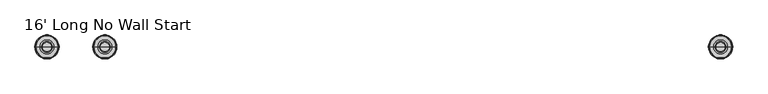
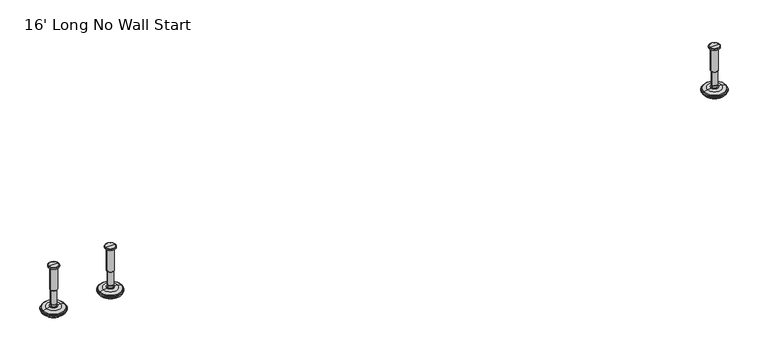
"""IFC4 building model written with IfcOpenShell, lengths in millimetres: furniture geometry, 16' Long No Wall Start."""

from ifc_helpers import new_model, si_unit, frame, origin, place, context, project, spatial, polyline, circle_curve, source, transform, mapped, element, save
from ifc_brep_helpers import plane_surface, cylinder_surface, revolved_surface, advanced_brep


def furniture_16_long_no_wall_start_1f5a7c0a(model_context):
    return source(origin(), model_context, "Body", "AdvancedBrep", [
        advanced_brep(
        [(1161.8635677, 0.0, 103.7082), (1170.8414891, 0.0, 103.7082), (1152.8856463, 0.0, 103.7082), (1147.7593278, 0.0, 2.1288943), (1175.9678076, 0.0, 2.1288943), (1161.8635677, 0.0, 2.1288943), (1142.881296, 0.0, 3.5276474), (1180.8458394, 0.0, 3.5276474), (1139.119381, 0.0, 6.8476056), (1184.6077544, 0.0, 6.8476056), (1138.0019314, 0.0, 9.6133905), (1185.725204, 0.0, 9.6133905), (1138.0019314, 0.0, 10.4147967), (1185.725204, 0.0, 10.4147967), (1138.8443346, 0.0, 11.9551348), (1184.8828008, 0.0, 11.9551348), (1139.9444772, 0.0, 12.9457077), (1183.7826582, 0.0, 12.9457077), (1147.2481724, 0.0, 14.8420946), (1176.478963, 0.0, 14.8420946), (1154.6663238, 0.0, 15.4910987), (1169.0608116, 0.0, 15.4910987), (1154.6663238, 0.0, 16.2854758), (1169.0608116, 0.0, 16.2854758), (1157.0631166, 0.0, 16.2854758), (1166.6640188, 0.0, 16.2854758), (1157.0631166, 0.0, 20.9180403), (1166.6640188, 0.0, 20.9180403), (1156.047264, 0.0, 21.9338929), (1167.6798714, 0.0, 21.9338929), (1156.047264, 0.0, 50.4138352), (1167.6798714, 0.0, 50.4138352), (1154.8237361, 0.0, 52.0375116), (1168.9033993, 0.0, 52.0375116), (1154.8237361, 0.0, 99.435423), (1168.9033993, 0.0, 99.435423), (1153.9426317, 0.0, 99.7561188), (1169.7845037, 0.0, 99.7561188), (1152.8936428, 0.0, 99.7561188), (1170.8334926, 0.0, 99.7561188), (1151.2286129, 0.0, 100.7174242), (1172.4985225, 0.0, 100.7174242), (1151.2286129, 0.0, 102.7125539), (1172.4985225, 0.0, 102.7125539)],
        [
            (0, 1),
            (1, 2, circle_curve(frame((1161.8635677, 0.0, 103.7082), z_axis=(0.0, 0.0, 1.0), x_axis=(1.0, 0.0, 0.0)), 8.9779214)),
            (2, 0),
            (2, 1, circle_curve(frame((1161.8635677, 0.0, 103.7082), z_axis=(0.0, 0.0, 1.0), x_axis=(1.0, 0.0, 0.0)), 8.9779214)),
            (3, 4, circle_curve(frame((1161.8635677, 0.0, 2.1288943), z_axis=(0.0, 0.0, -1.0), x_axis=(1.0, 0.0, 0.0)), 14.1042399)),
            (4, 5),
            (5, 3),
            (4, 3, circle_curve(frame((1161.8635677, 0.0, 2.1288943), z_axis=(0.0, 0.0, -1.0), x_axis=(1.0, 0.0, 0.0)), 14.1042399)),
            (6, 7, circle_curve(frame((1161.8635677, 0.0, 3.5276474), z_axis=(0.0, 0.0, -1.0), x_axis=(1.0, 0.0, 0.0)), 18.9822717)),
            (7, 4),
            (3, 6),
            (7, 6, circle_curve(frame((1161.8635677, 0.0, 3.5276474), z_axis=(0.0, 0.0, -1.0), x_axis=(1.0, 0.0, 0.0)), 18.9822717)),
            (8, 9, circle_curve(frame((1161.8635677, 0.0, 6.8476056), z_axis=(0.0, 0.0, -1.0), x_axis=(1.0, 0.0, 0.0)), 22.7441867)),
            (9, 7),
            (6, 8),
            (9, 8, circle_curve(frame((1161.8635677, 0.0, 6.8476056), z_axis=(0.0, 0.0, -1.0), x_axis=(1.0, 0.0, 0.0)), 22.7441867)),
            (10, 11, circle_curve(frame((1161.8635677, 0.0, 9.6133905), z_axis=(0.0, 0.0, -1.0), x_axis=(1.0, 0.0, 0.0)), 23.8616363)),
            (11, 9),
            (8, 10),
            (11, 10, circle_curve(frame((1161.8635677, 0.0, 9.6133905), z_axis=(0.0, 0.0, -1.0), x_axis=(1.0, 0.0, 0.0)), 23.8616363)),
            (12, 13, circle_curve(frame((1161.8635677, 0.0, 10.4147967), z_axis=(0.0, 0.0, -1.0), x_axis=(1.0, 0.0, 0.0)), 23.8616363)),
            (13, 11),
            (10, 12),
            (13, 12, circle_curve(frame((1161.8635677, 0.0, 10.4147967), z_axis=(0.0, 0.0, -1.0), x_axis=(1.0, 0.0, 0.0)), 23.8616363)),
            (14, 15, circle_curve(frame((1161.8635677, 0.0, 11.9551348), z_axis=(0.0, 0.0, -1.0), x_axis=(1.0, 0.0, 0.0)), 23.0192331)),
            (15, 13),
            (12, 14),
            (15, 14, circle_curve(frame((1161.8635677, 0.0, 11.9551348), z_axis=(0.0, 0.0, -1.0), x_axis=(1.0, 0.0, 0.0)), 23.0192331)),
            (16, 17, circle_curve(frame((1161.8635677, 0.0, 12.9457077), z_axis=(0.0, 0.0, -1.0), x_axis=(1.0, 0.0, 0.0)), 21.9190905)),
            (17, 15),
            (14, 16),
            (17, 16, circle_curve(frame((1161.8635677, 0.0, 12.9457077), z_axis=(0.0, 0.0, -1.0), x_axis=(1.0, 0.0, 0.0)), 21.9190905)),
            (18, 19, circle_curve(frame((1161.8635677, 0.0, 14.8420946), z_axis=(0.0, 0.0, -1.0), x_axis=(1.0, 0.0, 0.0)), 14.6153953)),
            (19, 17),
            (16, 18),
            (19, 18, circle_curve(frame((1161.8635677, 0.0, 14.8420946), z_axis=(0.0, 0.0, -1.0), x_axis=(1.0, 0.0, 0.0)), 14.6153953)),
            (20, 21, circle_curve(frame((1161.8635677, 0.0, 15.4910987), z_axis=(0.0, 0.0, -1.0), x_axis=(1.0, 0.0, 0.0)), 7.1972439)),
            (21, 19),
            (18, 20),
            (21, 20, circle_curve(frame((1161.8635677, 0.0, 15.4910987), z_axis=(0.0, 0.0, -1.0), x_axis=(1.0, 0.0, 0.0)), 7.1972439)),
            (22, 23, circle_curve(frame((1161.8635677, 0.0, 16.2854758), z_axis=(0.0, 0.0, -1.0), x_axis=(1.0, 0.0, 0.0)), 7.1972439)),
            (23, 21),
            (20, 22),
            (23, 22, circle_curve(frame((1161.8635677, 0.0, 16.2854758), z_axis=(0.0, 0.0, -1.0), x_axis=(1.0, 0.0, 0.0)), 7.1972439)),
            (24, 25, circle_curve(frame((1161.8635677, 0.0, 16.2854758), z_axis=(0.0, 0.0, -1.0), x_axis=(1.0, 0.0, 0.0)), 4.8004511)),
            (25, 23),
            (22, 24),
            (25, 24, circle_curve(frame((1161.8635677, 0.0, 16.2854758), z_axis=(0.0, 0.0, -1.0), x_axis=(1.0, 0.0, 0.0)), 4.8004511)),
            (26, 27, circle_curve(frame((1161.8635677, 0.0, 20.9180403), z_axis=(0.0, 0.0, -1.0), x_axis=(1.0, 0.0, 0.0)), 4.8004511)),
            (27, 25),
            (24, 26),
            (27, 26, circle_curve(frame((1161.8635677, 0.0, 20.9180403), z_axis=(0.0, 0.0, -1.0), x_axis=(1.0, 0.0, 0.0)), 4.8004511)),
            (28, 29, circle_curve(frame((1161.8635677, 0.0, 21.9338929), z_axis=(0.0, 0.0, -1.0), x_axis=(1.0, 0.0, 0.0)), 5.8163037)),
            (29, 27),
            (26, 28),
            (29, 28, circle_curve(frame((1161.8635677, 0.0, 21.9338929), z_axis=(0.0, 0.0, -1.0), x_axis=(1.0, 0.0, 0.0)), 5.8163037)),
            (30, 31, circle_curve(frame((1161.8635677, 0.0, 50.4138352), z_axis=(0.0, 0.0, -1.0), x_axis=(1.0, 0.0, 0.0)), 5.8163037)),
            (31, 29),
            (28, 30),
            (31, 30, circle_curve(frame((1161.8635677, 0.0, 50.4138352), z_axis=(0.0, 0.0, -1.0), x_axis=(1.0, 0.0, 0.0)), 5.8163037)),
            (32, 33, circle_curve(frame((1161.8635677, 0.0, 52.0375116), z_axis=(0.0, 0.0, -1.0), x_axis=(1.0, 0.0, 0.0)), 7.0398316)),
            (33, 31),
            (30, 32),
            (33, 32, circle_curve(frame((1161.8635677, 0.0, 52.0375116), z_axis=(0.0, 0.0, -1.0), x_axis=(1.0, 0.0, 0.0)), 7.0398316)),
            (34, 35, circle_curve(frame((1161.8635677, 0.0, 99.435423), z_axis=(0.0, 0.0, -1.0), x_axis=(1.0, 0.0, 0.0)), 7.0398316)),
            (35, 33),
            (32, 34),
            (35, 34, circle_curve(frame((1161.8635677, 0.0, 99.435423), z_axis=(0.0, 0.0, -1.0), x_axis=(1.0, 0.0, 0.0)), 7.0398316)),
            (36, 37, circle_curve(frame((1161.8635677, 0.0, 99.7561188), z_axis=(0.0, 0.0, -1.0), x_axis=(1.0, 0.0, 0.0)), 7.920936)),
            (37, 35),
            (34, 36),
            (37, 36, circle_curve(frame((1161.8635677, 0.0, 99.7561188), z_axis=(0.0, 0.0, -1.0), x_axis=(1.0, 0.0, 0.0)), 7.920936)),
            (38, 39, circle_curve(frame((1161.8635677, 0.0, 99.7561188), z_axis=(0.0, 0.0, -1.0), x_axis=(1.0, 0.0, 0.0)), 8.9699249)),
            (39, 37),
            (36, 38),
            (39, 38, circle_curve(frame((1161.8635677, 0.0, 99.7561188), z_axis=(0.0, 0.0, -1.0), x_axis=(1.0, 0.0, 0.0)), 8.9699249)),
            (40, 41, circle_curve(frame((1161.8635677, 0.0, 100.7174242), z_axis=(0.0, 0.0, -1.0), x_axis=(1.0, 0.0, 0.0)), 10.6349548)),
            (41, 39),
            (38, 40),
            (41, 40, circle_curve(frame((1161.8635677, 0.0, 100.7174242), z_axis=(0.0, 0.0, -1.0), x_axis=(1.0, 0.0, 0.0)), 10.6349548)),
            (42, 43, circle_curve(frame((1161.8635677, 0.0, 102.7125539), z_axis=(0.0, 0.0, -1.0), x_axis=(1.0, 0.0, 0.0)), 10.6349548)),
            (43, 41),
            (40, 42),
            (43, 42, circle_curve(frame((1161.8635677, 0.0, 102.7125539), z_axis=(0.0, 0.0, -1.0), x_axis=(1.0, 0.0, 0.0)), 10.6349548)),
            (1, 43),
            (42, 2),
        ],
        [
            plane_surface(frame((1161.8635677, 0.0, 103.7082), z_axis=(0.0, 0.0, 1.0), x_axis=(1.0, 0.0, 0.0))),
            plane_surface(frame((1161.8635677, 0.0, 2.1288943), z_axis=(0.0, 0.0, -1.0), x_axis=(1.0, 0.0, 0.0))),
            revolved_surface(polyline([(1175.9678076, 0.0, 2.1288943), (1180.8458394, 0.0, 3.5276474)]), (1161.8635677, 0.0, 103.7082), (0.0, 0.0, 1.0)),
            revolved_surface(polyline([(1180.8458394, 0.0, 3.5276474), (1184.6077544, 0.0, 6.8476056)]), (1161.8635677, 0.0, 103.7082), (0.0, 0.0, 1.0)),
            revolved_surface(polyline([(1184.6077544, 0.0, 6.8476056), (1185.725204, 0.0, 9.6133905)]), (1161.8635677, 0.0, 103.7082), (0.0, 0.0, 1.0)),
            cylinder_surface(frame((1161.8635677, 0.0, 103.7082), z_axis=(0.0, 0.0, 1.0), x_axis=(1.0, 0.0, 0.0)), 23.8616363),
            revolved_surface(polyline([(1185.725204, 0.0, 10.4147967), (1184.8828008, 0.0, 11.9551348)]), (1161.8635677, 0.0, 103.7082), (0.0, 0.0, 1.0)),
            revolved_surface(polyline([(1184.8828008, 0.0, 11.9551348), (1183.7826582, 0.0, 12.9457077)]), (1161.8635677, 0.0, 103.7082), (0.0, 0.0, 1.0)),
            revolved_surface(polyline([(1183.7826582, 0.0, 12.9457077), (1176.478963, 0.0, 14.8420946)]), (1161.8635677, 0.0, 103.7082), (0.0, 0.0, 1.0)),
            revolved_surface(polyline([(1176.478963, 0.0, 14.8420946), (1169.0608116, 0.0, 15.4910987)]), (1161.8635677, 0.0, 103.7082), (0.0, 0.0, 1.0)),
            cylinder_surface(frame((1161.8635677, 0.0, 103.7082), z_axis=(0.0, 0.0, 1.0), x_axis=(1.0, 0.0, 0.0)), 7.1972439),
            plane_surface(frame((1161.8635677, 0.0, 16.2854758), z_axis=(0.0, 0.0, 1.0), x_axis=(1.0, 0.0, 0.0))),
            cylinder_surface(frame((1161.8635677, 0.0, 103.7082), z_axis=(0.0, 0.0, 1.0), x_axis=(1.0, 0.0, 0.0)), 4.8004511),
            revolved_surface(polyline([(1166.6640188, 0.0, 20.9180403), (1167.6798714, 0.0, 21.9338929)]), (1161.8635677, 0.0, 103.7082), (0.0, 0.0, 1.0)),
            cylinder_surface(frame((1161.8635677, 0.0, 103.7082), z_axis=(0.0, 0.0, 1.0), x_axis=(1.0, 0.0, 0.0)), 5.8163037),
            revolved_surface(polyline([(1167.6798714, 0.0, 50.4138352), (1168.9033993, 0.0, 52.0375116)]), (1161.8635677, 0.0, 103.7082), (0.0, 0.0, 1.0)),
            cylinder_surface(frame((1161.8635677, 0.0, 103.7082), z_axis=(0.0, 0.0, 1.0), x_axis=(1.0, 0.0, 0.0)), 7.0398316),
            revolved_surface(polyline([(1168.9033993, 0.0, 99.435423), (1169.7845037, 0.0, 99.7561188)]), (1161.8635677, 0.0, 103.7082), (0.0, 0.0, 1.0)),
            plane_surface(frame((1161.8635677, 0.0, 99.7561188), z_axis=(0.0, 0.0, -1.0), x_axis=(1.0, 0.0, 0.0))),
            revolved_surface(polyline([(1170.8334926, 0.0, 99.7561188), (1172.4985225, 0.0, 100.7174242)]), (1161.8635677, 0.0, 103.7082), (0.0, 0.0, 1.0)),
            cylinder_surface(frame((1161.8635677, 0.0, 103.7082), z_axis=(0.0, 0.0, 1.0), x_axis=(1.0, 0.0, 0.0)), 10.6349548),
            revolved_surface(polyline([(1172.4985225, 0.0, 102.7125539), (1170.8414891, 0.0, 103.7082)]), (1161.8635677, 0.0, 103.7082), (0.0, 0.0, 1.0)),
        ],
        [
            (0, [[1, 2, 3]]),
            (0, [[-3, 4, -1]]),
            (1, [[5, 6, 7]]),
            (1, [[8, -7, -6]]),
            (2, [[9, 10, -5, 11]]),
            (2, [[12, -11, -8, -10]]),
            (3, [[13, 14, -9, 15]]),
            (3, [[16, -15, -12, -14]]),
            (4, [[17, 18, -13, 19]]),
            (4, [[20, -19, -16, -18]]),
            (5, [[21, 22, -17, 23]]),
            (5, [[24, -23, -20, -22]]),
            (6, [[25, 26, -21, 27]]),
            (6, [[28, -27, -24, -26]]),
            (7, [[29, 30, -25, 31]]),
            (7, [[32, -31, -28, -30]]),
            (8, [[33, 34, -29, 35]]),
            (8, [[36, -35, -32, -34]]),
            (9, [[37, 38, -33, 39]]),
            (9, [[40, -39, -36, -38]]),
            (10, [[41, 42, -37, 43]]),
            (10, [[44, -43, -40, -42]]),
            (11, [[45, 46, -41, 47]]),
            (11, [[48, -47, -44, -46]]),
            (12, [[49, 50, -45, 51]]),
            (12, [[52, -51, -48, -50]]),
            (13, [[53, 54, -49, 55]]),
            (13, [[56, -55, -52, -54]]),
            (14, [[57, 58, -53, 59]]),
            (14, [[60, -59, -56, -58]]),
            (15, [[61, 62, -57, 63]]),
            (15, [[64, -63, -60, -62]]),
            (16, [[65, 66, -61, 67]]),
            (16, [[68, -67, -64, -66]]),
            (17, [[69, 70, -65, 71]]),
            (17, [[72, -71, -68, -70]]),
            (18, [[73, 74, -69, 75]]),
            (18, [[76, -75, -72, -74]]),
            (19, [[77, 78, -73, 79]]),
            (19, [[80, -79, -76, -78]]),
            (20, [[81, 82, -77, 83]]),
            (20, [[84, -83, -80, -82]]),
            (21, [[-2, 85, -81, 86]]),
            (21, [[-4, -86, -84, -85]]),
        ],
    ),
        advanced_brep(
        [(1276.5364323, 0.0, 103.7082), (1285.5143537, 0.0, 103.7082), (1267.5585109, 0.0, 103.7082), (1290.6406722, 0.0, 2.1288943), (1276.5364323, 0.0, 2.1288943), (1262.4321924, 0.0, 2.1288943), (1295.518704, 0.0, 3.5276474), (1257.5541606, 0.0, 3.5276474), (1299.280619, 0.0, 6.8476056), (1253.7922456, 0.0, 6.8476056), (1300.3980686, 0.0, 9.6133905), (1252.674796, 0.0, 9.6133905), (1300.3980686, 0.0, 10.4147967), (1252.674796, 0.0, 10.4147967), (1299.5556654, 0.0, 11.9551348), (1253.5171992, 0.0, 11.9551348), (1298.4555228, 0.0, 12.9457077), (1254.6173418, 0.0, 12.9457077), (1291.1518276, 0.0, 14.8420946), (1261.921037, 0.0, 14.8420946), (1283.7336762, 0.0, 15.4910987), (1269.3391884, 0.0, 15.4910987), (1283.7336762, 0.0, 16.2854758), (1269.3391884, 0.0, 16.2854758), (1281.3368834, 0.0, 16.2854758), (1271.7359812, 0.0, 16.2854758), (1281.3368834, 0.0, 20.9180403), (1271.7359812, 0.0, 20.9180403), (1282.352736, 0.0, 21.9338929), (1270.7201286, 0.0, 21.9338929), (1282.352736, 0.0, 50.4138352), (1270.7201286, 0.0, 50.4138352), (1283.5762639, 0.0, 52.0375116), (1269.4966007, 0.0, 52.0375116), (1283.5762639, 0.0, 99.435423), (1269.4966007, 0.0, 99.435423), (1284.4573683, 0.0, 99.7561188), (1268.6154963, 0.0, 99.7561188), (1285.5063572, 0.0, 99.7561188), (1267.5665074, 0.0, 99.7561188), (1287.1713871, 0.0, 100.7174242), (1265.9014775, 0.0, 100.7174242), (1287.1713871, 0.0, 102.7125539), (1265.9014775, 0.0, 102.7125539)],
        [
            (0, 1),
            (1, 2, circle_curve(frame((1276.5364323, 0.0, 103.7082), z_axis=(0.0, 0.0, 1.0), x_axis=(-1.0, 0.0, 0.0)), 8.9779214)),
            (2, 0),
            (2, 1, circle_curve(frame((1276.5364323, 0.0, 103.7082), z_axis=(0.0, 0.0, 1.0), x_axis=(-1.0, 0.0, 0.0)), 8.9779214)),
            (3, 4),
            (4, 5),
            (5, 3, circle_curve(frame((1276.5364323, 0.0, 2.1288943), z_axis=(0.0, 0.0, -1.0), x_axis=(-1.0, 0.0, 0.0)), 14.1042399)),
            (3, 5, circle_curve(frame((1276.5364323, 0.0, 2.1288943), z_axis=(0.0, 0.0, -1.0), x_axis=(-1.0, 0.0, 0.0)), 14.1042399)),
            (6, 3),
            (5, 7),
            (7, 6, circle_curve(frame((1276.5364323, 0.0, 3.5276474), z_axis=(0.0, 0.0, -1.0), x_axis=(-1.0, 0.0, 0.0)), 18.9822717)),
            (6, 7, circle_curve(frame((1276.5364323, 0.0, 3.5276474), z_axis=(0.0, 0.0, -1.0), x_axis=(-1.0, 0.0, 0.0)), 18.9822717)),
            (8, 6),
            (7, 9),
            (9, 8, circle_curve(frame((1276.5364323, 0.0, 6.8476056), z_axis=(0.0, 0.0, -1.0), x_axis=(-1.0, 0.0, 0.0)), 22.7441867)),
            (8, 9, circle_curve(frame((1276.5364323, 0.0, 6.8476056), z_axis=(0.0, 0.0, -1.0), x_axis=(-1.0, 0.0, 0.0)), 22.7441867)),
            (10, 8),
            (9, 11),
            (11, 10, circle_curve(frame((1276.5364323, 0.0, 9.6133905), z_axis=(0.0, 0.0, -1.0), x_axis=(-1.0, 0.0, 0.0)), 23.8616363)),
            (10, 11, circle_curve(frame((1276.5364323, 0.0, 9.6133905), z_axis=(0.0, 0.0, -1.0), x_axis=(-1.0, 0.0, 0.0)), 23.8616363)),
            (12, 10),
            (11, 13),
            (13, 12, circle_curve(frame((1276.5364323, 0.0, 10.4147967), z_axis=(0.0, 0.0, -1.0), x_axis=(-1.0, 0.0, 0.0)), 23.8616363)),
            (12, 13, circle_curve(frame((1276.5364323, 0.0, 10.4147967), z_axis=(0.0, 0.0, -1.0), x_axis=(-1.0, 0.0, 0.0)), 23.8616363)),
            (14, 12),
            (13, 15),
            (15, 14, circle_curve(frame((1276.5364323, 0.0, 11.9551348), z_axis=(0.0, 0.0, -1.0), x_axis=(-1.0, 0.0, 0.0)), 23.0192331)),
            (14, 15, circle_curve(frame((1276.5364323, 0.0, 11.9551348), z_axis=(0.0, 0.0, -1.0), x_axis=(-1.0, 0.0, 0.0)), 23.0192331)),
            (16, 14),
            (15, 17),
            (17, 16, circle_curve(frame((1276.5364323, 0.0, 12.9457077), z_axis=(0.0, 0.0, -1.0), x_axis=(-1.0, 0.0, 0.0)), 21.9190905)),
            (16, 17, circle_curve(frame((1276.5364323, 0.0, 12.9457077), z_axis=(0.0, 0.0, -1.0), x_axis=(-1.0, 0.0, 0.0)), 21.9190905)),
            (18, 16),
            (17, 19),
            (19, 18, circle_curve(frame((1276.5364323, 0.0, 14.8420946), z_axis=(0.0, 0.0, -1.0), x_axis=(-1.0, 0.0, 0.0)), 14.6153953)),
            (18, 19, circle_curve(frame((1276.5364323, 0.0, 14.8420946), z_axis=(0.0, 0.0, -1.0), x_axis=(-1.0, 0.0, 0.0)), 14.6153953)),
            (20, 18),
            (19, 21),
            (21, 20, circle_curve(frame((1276.5364323, 0.0, 15.4910987), z_axis=(0.0, 0.0, -1.0), x_axis=(-1.0, 0.0, 0.0)), 7.1972439)),
            (20, 21, circle_curve(frame((1276.5364323, 0.0, 15.4910987), z_axis=(0.0, 0.0, -1.0), x_axis=(-1.0, 0.0, 0.0)), 7.1972439)),
            (22, 20),
            (21, 23),
            (23, 22, circle_curve(frame((1276.5364323, 0.0, 16.2854758), z_axis=(0.0, 0.0, -1.0), x_axis=(-1.0, 0.0, 0.0)), 7.1972439)),
            (22, 23, circle_curve(frame((1276.5364323, 0.0, 16.2854758), z_axis=(0.0, 0.0, -1.0), x_axis=(-1.0, 0.0, 0.0)), 7.1972439)),
            (24, 22),
            (23, 25),
            (25, 24, circle_curve(frame((1276.5364323, 0.0, 16.2854758), z_axis=(0.0, 0.0, -1.0), x_axis=(-1.0, 0.0, 0.0)), 4.8004511)),
            (24, 25, circle_curve(frame((1276.5364323, 0.0, 16.2854758), z_axis=(0.0, 0.0, -1.0), x_axis=(-1.0, 0.0, 0.0)), 4.8004511)),
            (26, 24),
            (25, 27),
            (27, 26, circle_curve(frame((1276.5364323, 0.0, 20.9180403), z_axis=(0.0, 0.0, -1.0), x_axis=(-1.0, 0.0, 0.0)), 4.8004511)),
            (26, 27, circle_curve(frame((1276.5364323, 0.0, 20.9180403), z_axis=(0.0, 0.0, -1.0), x_axis=(-1.0, 0.0, 0.0)), 4.8004511)),
            (28, 26),
            (27, 29),
            (29, 28, circle_curve(frame((1276.5364323, 0.0, 21.9338929), z_axis=(0.0, 0.0, -1.0), x_axis=(-1.0, 0.0, 0.0)), 5.8163037)),
            (28, 29, circle_curve(frame((1276.5364323, 0.0, 21.9338929), z_axis=(0.0, 0.0, -1.0), x_axis=(-1.0, 0.0, 0.0)), 5.8163037)),
            (30, 28),
            (29, 31),
            (31, 30, circle_curve(frame((1276.5364323, 0.0, 50.4138352), z_axis=(0.0, 0.0, -1.0), x_axis=(-1.0, 0.0, 0.0)), 5.8163037)),
            (30, 31, circle_curve(frame((1276.5364323, 0.0, 50.4138352), z_axis=(0.0, 0.0, -1.0), x_axis=(-1.0, 0.0, 0.0)), 5.8163037)),
            (32, 30),
            (31, 33),
            (33, 32, circle_curve(frame((1276.5364323, 0.0, 52.0375116), z_axis=(0.0, 0.0, -1.0), x_axis=(-1.0, 0.0, 0.0)), 7.0398316)),
            (32, 33, circle_curve(frame((1276.5364323, 0.0, 52.0375116), z_axis=(0.0, 0.0, -1.0), x_axis=(-1.0, 0.0, 0.0)), 7.0398316)),
            (34, 32),
            (33, 35),
            (35, 34, circle_curve(frame((1276.5364323, 0.0, 99.435423), z_axis=(0.0, 0.0, -1.0), x_axis=(-1.0, 0.0, 0.0)), 7.0398316)),
            (34, 35, circle_curve(frame((1276.5364323, 0.0, 99.435423), z_axis=(0.0, 0.0, -1.0), x_axis=(-1.0, 0.0, 0.0)), 7.0398316)),
            (36, 34),
            (35, 37),
            (37, 36, circle_curve(frame((1276.5364323, 0.0, 99.7561188), z_axis=(0.0, 0.0, -1.0), x_axis=(-1.0, 0.0, 0.0)), 7.920936)),
            (36, 37, circle_curve(frame((1276.5364323, 0.0, 99.7561188), z_axis=(0.0, 0.0, -1.0), x_axis=(-1.0, 0.0, 0.0)), 7.920936)),
            (38, 36),
            (37, 39),
            (39, 38, circle_curve(frame((1276.5364323, 0.0, 99.7561188), z_axis=(0.0, 0.0, -1.0), x_axis=(-1.0, 0.0, 0.0)), 8.9699249)),
            (38, 39, circle_curve(frame((1276.5364323, 0.0, 99.7561188), z_axis=(0.0, 0.0, -1.0), x_axis=(-1.0, 0.0, 0.0)), 8.9699249)),
            (40, 38),
            (39, 41),
            (41, 40, circle_curve(frame((1276.5364323, 0.0, 100.7174242), z_axis=(0.0, 0.0, -1.0), x_axis=(-1.0, 0.0, 0.0)), 10.6349548)),
            (40, 41, circle_curve(frame((1276.5364323, 0.0, 100.7174242), z_axis=(0.0, 0.0, -1.0), x_axis=(-1.0, 0.0, 0.0)), 10.6349548)),
            (42, 40),
            (41, 43),
            (43, 42, circle_curve(frame((1276.5364323, 0.0, 102.7125539), z_axis=(0.0, 0.0, -1.0), x_axis=(-1.0, 0.0, 0.0)), 10.6349548)),
            (42, 43, circle_curve(frame((1276.5364323, 0.0, 102.7125539), z_axis=(0.0, 0.0, -1.0), x_axis=(-1.0, 0.0, 0.0)), 10.6349548)),
            (1, 42),
            (43, 2),
        ],
        [
            plane_surface(frame((1276.5364323, 0.0, 103.7082), z_axis=(0.0, 0.0, 1.0), x_axis=(-1.0, 0.0, 0.0))),
            plane_surface(frame((1276.5364323, 0.0, 2.1288943), z_axis=(0.0, 0.0, -1.0), x_axis=(-1.0, 0.0, 0.0))),
            revolved_surface(polyline([(1262.4321924, 0.0, 2.1288943), (1257.5541606, 0.0, 3.5276474)]), (1276.5364323, 0.0, 103.7082), (0.0, 0.0, 1.0)),
            revolved_surface(polyline([(1257.5541606, 0.0, 3.5276474), (1253.7922456, 0.0, 6.8476056)]), (1276.5364323, 0.0, 103.7082), (0.0, 0.0, 1.0)),
            revolved_surface(polyline([(1253.7922456, 0.0, 6.8476056), (1252.674796, 0.0, 9.6133905)]), (1276.5364323, 0.0, 103.7082), (0.0, 0.0, 1.0)),
            cylinder_surface(frame((1276.5364323, 0.0, 103.7082), z_axis=(0.0, 0.0, 1.0), x_axis=(-1.0, 0.0, 0.0)), 23.8616363),
            revolved_surface(polyline([(1252.674796, 0.0, 10.4147967), (1253.5171992, 0.0, 11.9551348)]), (1276.5364323, 0.0, 103.7082), (0.0, 0.0, 1.0)),
            revolved_surface(polyline([(1253.5171992, 0.0, 11.9551348), (1254.6173418, 0.0, 12.9457077)]), (1276.5364323, 0.0, 103.7082), (0.0, 0.0, 1.0)),
            revolved_surface(polyline([(1254.6173418, 0.0, 12.9457077), (1261.921037, 0.0, 14.8420946)]), (1276.5364323, 0.0, 103.7082), (0.0, 0.0, 1.0)),
            revolved_surface(polyline([(1261.921037, 0.0, 14.8420946), (1269.3391884, 0.0, 15.4910987)]), (1276.5364323, 0.0, 103.7082), (0.0, 0.0, 1.0)),
            cylinder_surface(frame((1276.5364323, 0.0, 103.7082), z_axis=(0.0, 0.0, 1.0), x_axis=(-1.0, 0.0, 0.0)), 7.1972439),
            plane_surface(frame((1276.5364323, 0.0, 16.2854758), z_axis=(0.0, 0.0, 1.0), x_axis=(-1.0, 0.0, 0.0))),
            cylinder_surface(frame((1276.5364323, 0.0, 103.7082), z_axis=(0.0, 0.0, 1.0), x_axis=(-1.0, 0.0, 0.0)), 4.8004511),
            revolved_surface(polyline([(1271.7359812, 0.0, 20.9180403), (1270.7201286, 0.0, 21.9338929)]), (1276.5364323, 0.0, 103.7082), (0.0, 0.0, 1.0)),
            cylinder_surface(frame((1276.5364323, 0.0, 103.7082), z_axis=(0.0, 0.0, 1.0), x_axis=(-1.0, 0.0, 0.0)), 5.8163037),
            revolved_surface(polyline([(1270.7201286, 0.0, 50.4138352), (1269.4966007, 0.0, 52.0375116)]), (1276.5364323, 0.0, 103.7082), (0.0, 0.0, 1.0)),
            cylinder_surface(frame((1276.5364323, 0.0, 103.7082), z_axis=(0.0, 0.0, 1.0), x_axis=(-1.0, 0.0, 0.0)), 7.0398316),
            revolved_surface(polyline([(1269.4966007, 0.0, 99.435423), (1268.6154963, 0.0, 99.7561188)]), (1276.5364323, 0.0, 103.7082), (0.0, 0.0, 1.0)),
            plane_surface(frame((1276.5364323, 0.0, 99.7561188), z_axis=(0.0, 0.0, -1.0), x_axis=(-1.0, 0.0, 0.0))),
            revolved_surface(polyline([(1267.5665074, 0.0, 99.7561188), (1265.9014775, 0.0, 100.7174242)]), (1276.5364323, 0.0, 103.7082), (0.0, 0.0, 1.0)),
            cylinder_surface(frame((1276.5364323, 0.0, 103.7082), z_axis=(0.0, 0.0, 1.0), x_axis=(-1.0, 0.0, 0.0)), 10.6349548),
            revolved_surface(polyline([(1265.9014775, 0.0, 102.7125539), (1267.5585109, 0.0, 103.7082)]), (1276.5364323, 0.0, 103.7082), (0.0, 0.0, 1.0)),
        ],
        [
            (0, [[1, 2, 3]]),
            (0, [[-3, 4, -1]]),
            (1, [[5, 6, 7]]),
            (1, [[-6, -5, 8]]),
            (2, [[9, -7, 10, 11]]),
            (2, [[-10, -8, -9, 12]]),
            (3, [[13, -11, 14, 15]]),
            (3, [[-14, -12, -13, 16]]),
            (4, [[17, -15, 18, 19]]),
            (4, [[-18, -16, -17, 20]]),
            (5, [[21, -19, 22, 23]]),
            (5, [[-22, -20, -21, 24]]),
            (6, [[25, -23, 26, 27]]),
            (6, [[-26, -24, -25, 28]]),
            (7, [[29, -27, 30, 31]]),
            (7, [[-30, -28, -29, 32]]),
            (8, [[33, -31, 34, 35]]),
            (8, [[-34, -32, -33, 36]]),
            (9, [[37, -35, 38, 39]]),
            (9, [[-38, -36, -37, 40]]),
            (10, [[41, -39, 42, 43]]),
            (10, [[-42, -40, -41, 44]]),
            (11, [[45, -43, 46, 47]]),
            (11, [[-46, -44, -45, 48]]),
            (12, [[49, -47, 50, 51]]),
            (12, [[-50, -48, -49, 52]]),
            (13, [[53, -51, 54, 55]]),
            (13, [[-54, -52, -53, 56]]),
            (14, [[57, -55, 58, 59]]),
            (14, [[-58, -56, -57, 60]]),
            (15, [[61, -59, 62, 63]]),
            (15, [[-62, -60, -61, 64]]),
            (16, [[65, -63, 66, 67]]),
            (16, [[-66, -64, -65, 68]]),
            (17, [[69, -67, 70, 71]]),
            (17, [[-70, -68, -69, 72]]),
            (18, [[73, -71, 74, 75]]),
            (18, [[-74, -72, -73, 76]]),
            (19, [[77, -75, 78, 79]]),
            (19, [[-78, -76, -77, 80]]),
            (20, [[81, -79, 82, 83]]),
            (20, [[-82, -80, -81, 84]]),
            (21, [[85, -83, 86, -2]]),
            (21, [[-86, -84, -85, -4]]),
        ],
    ),
        advanced_brep(
        [(2495.7364323, 0.0, 103.7082), (2504.7143537, 0.0, 103.7082), (2486.7585109, 0.0, 103.7082), (2509.8406722, 0.0, 2.1288943), (2495.7364323, 0.0, 2.1288943), (2481.6321924, 0.0, 2.1288943), (2514.718704, 0.0, 3.5276474), (2476.7541606, 0.0, 3.5276474), (2518.480619, 0.0, 6.8476056), (2472.9922456, 0.0, 6.8476056), (2519.5980686, 0.0, 9.6133905), (2471.874796, 0.0, 9.6133905), (2519.5980686, 0.0, 10.4147967), (2471.874796, 0.0, 10.4147967), (2518.7556654, 0.0, 11.9551348), (2472.7171992, 0.0, 11.9551348), (2517.6555228, 0.0, 12.9457077), (2473.8173418, 0.0, 12.9457077), (2510.3518276, 0.0, 14.8420946), (2481.121037, 0.0, 14.8420946), (2502.9336762, 0.0, 15.4910987), (2488.5391884, 0.0, 15.4910987), (2502.9336762, 0.0, 16.2854758), (2488.5391884, 0.0, 16.2854758), (2500.5368834, 0.0, 16.2854758), (2490.9359812, 0.0, 16.2854758), (2500.5368834, 0.0, 20.9180403), (2490.9359812, 0.0, 20.9180403), (2501.552736, 0.0, 21.9338929), (2489.9201286, 0.0, 21.9338929), (2501.552736, 0.0, 50.4138352), (2489.9201286, 0.0, 50.4138352), (2502.7762639, 0.0, 52.0375116), (2488.6966007, 0.0, 52.0375116), (2502.7762639, 0.0, 99.435423), (2488.6966007, 0.0, 99.435423), (2503.6573683, 0.0, 99.7561188), (2487.8154963, 0.0, 99.7561188), (2504.7063572, 0.0, 99.7561188), (2486.7665074, 0.0, 99.7561188), (2506.3713871, 0.0, 100.7174242), (2485.1014775, 0.0, 100.7174242), (2506.3713871, 0.0, 102.7125539), (2485.1014775, 0.0, 102.7125539)],
        [
            (0, 1),
            (1, 2, circle_curve(frame((2495.7364323, 0.0, 103.7082), z_axis=(0.0, 0.0, 1.0), x_axis=(-1.0, 0.0, 0.0)), 8.9779214)),
            (2, 0),
            (2, 1, circle_curve(frame((2495.7364323, 0.0, 103.7082), z_axis=(0.0, 0.0, 1.0), x_axis=(-1.0, 0.0, 0.0)), 8.9779214)),
            (3, 4),
            (4, 5),
            (5, 3, circle_curve(frame((2495.7364323, 0.0, 2.1288943), z_axis=(0.0, 0.0, -1.0), x_axis=(-1.0, 0.0, 0.0)), 14.1042399)),
            (3, 5, circle_curve(frame((2495.7364323, 0.0, 2.1288943), z_axis=(0.0, 0.0, -1.0), x_axis=(-1.0, 0.0, 0.0)), 14.1042399)),
            (6, 3),
            (5, 7),
            (7, 6, circle_curve(frame((2495.7364323, 0.0, 3.5276474), z_axis=(0.0, 0.0, -1.0), x_axis=(-1.0, 0.0, 0.0)), 18.9822717)),
            (6, 7, circle_curve(frame((2495.7364323, 0.0, 3.5276474), z_axis=(0.0, 0.0, -1.0), x_axis=(-1.0, 0.0, 0.0)), 18.9822717)),
            (8, 6),
            (7, 9),
            (9, 8, circle_curve(frame((2495.7364323, 0.0, 6.8476056), z_axis=(0.0, 0.0, -1.0), x_axis=(-1.0, 0.0, 0.0)), 22.7441867)),
            (8, 9, circle_curve(frame((2495.7364323, 0.0, 6.8476056), z_axis=(0.0, 0.0, -1.0), x_axis=(-1.0, 0.0, 0.0)), 22.7441867)),
            (10, 8),
            (9, 11),
            (11, 10, circle_curve(frame((2495.7364323, 0.0, 9.6133905), z_axis=(0.0, 0.0, -1.0), x_axis=(-1.0, 0.0, 0.0)), 23.8616363)),
            (10, 11, circle_curve(frame((2495.7364323, 0.0, 9.6133905), z_axis=(0.0, 0.0, -1.0), x_axis=(-1.0, 0.0, 0.0)), 23.8616363)),
            (12, 10),
            (11, 13),
            (13, 12, circle_curve(frame((2495.7364323, 0.0, 10.4147967), z_axis=(0.0, 0.0, -1.0), x_axis=(-1.0, 0.0, 0.0)), 23.8616363)),
            (12, 13, circle_curve(frame((2495.7364323, 0.0, 10.4147967), z_axis=(0.0, 0.0, -1.0), x_axis=(-1.0, 0.0, 0.0)), 23.8616363)),
            (14, 12),
            (13, 15),
            (15, 14, circle_curve(frame((2495.7364323, 0.0, 11.9551348), z_axis=(0.0, 0.0, -1.0), x_axis=(-1.0, 0.0, 0.0)), 23.0192331)),
            (14, 15, circle_curve(frame((2495.7364323, 0.0, 11.9551348), z_axis=(0.0, 0.0, -1.0), x_axis=(-1.0, 0.0, 0.0)), 23.0192331)),
            (16, 14),
            (15, 17),
            (17, 16, circle_curve(frame((2495.7364323, 0.0, 12.9457077), z_axis=(0.0, 0.0, -1.0), x_axis=(-1.0, 0.0, 0.0)), 21.9190905)),
            (16, 17, circle_curve(frame((2495.7364323, 0.0, 12.9457077), z_axis=(0.0, 0.0, -1.0), x_axis=(-1.0, 0.0, 0.0)), 21.9190905)),
            (18, 16),
            (17, 19),
            (19, 18, circle_curve(frame((2495.7364323, 0.0, 14.8420946), z_axis=(0.0, 0.0, -1.0), x_axis=(-1.0, 0.0, 0.0)), 14.6153953)),
            (18, 19, circle_curve(frame((2495.7364323, 0.0, 14.8420946), z_axis=(0.0, 0.0, -1.0), x_axis=(-1.0, 0.0, 0.0)), 14.6153953)),
            (20, 18),
            (19, 21),
            (21, 20, circle_curve(frame((2495.7364323, 0.0, 15.4910987), z_axis=(0.0, 0.0, -1.0), x_axis=(-1.0, 0.0, 0.0)), 7.1972439)),
            (20, 21, circle_curve(frame((2495.7364323, 0.0, 15.4910987), z_axis=(0.0, 0.0, -1.0), x_axis=(-1.0, 0.0, 0.0)), 7.1972439)),
            (22, 20),
            (21, 23),
            (23, 22, circle_curve(frame((2495.7364323, 0.0, 16.2854758), z_axis=(0.0, 0.0, -1.0), x_axis=(-1.0, 0.0, 0.0)), 7.1972439)),
            (22, 23, circle_curve(frame((2495.7364323, 0.0, 16.2854758), z_axis=(0.0, 0.0, -1.0), x_axis=(-1.0, 0.0, 0.0)), 7.1972439)),
            (24, 22),
            (23, 25),
            (25, 24, circle_curve(frame((2495.7364323, 0.0, 16.2854758), z_axis=(0.0, 0.0, -1.0), x_axis=(-1.0, 0.0, 0.0)), 4.8004511)),
            (24, 25, circle_curve(frame((2495.7364323, 0.0, 16.2854758), z_axis=(0.0, 0.0, -1.0), x_axis=(-1.0, 0.0, 0.0)), 4.8004511)),
            (26, 24),
            (25, 27),
            (27, 26, circle_curve(frame((2495.7364323, 0.0, 20.9180403), z_axis=(0.0, 0.0, -1.0), x_axis=(-1.0, 0.0, 0.0)), 4.8004511)),
            (26, 27, circle_curve(frame((2495.7364323, 0.0, 20.9180403), z_axis=(0.0, 0.0, -1.0), x_axis=(-1.0, 0.0, 0.0)), 4.8004511)),
            (28, 26),
            (27, 29),
            (29, 28, circle_curve(frame((2495.7364323, 0.0, 21.9338929), z_axis=(0.0, 0.0, -1.0), x_axis=(-1.0, 0.0, 0.0)), 5.8163037)),
            (28, 29, circle_curve(frame((2495.7364323, 0.0, 21.9338929), z_axis=(0.0, 0.0, -1.0), x_axis=(-1.0, 0.0, 0.0)), 5.8163037)),
            (30, 28),
            (29, 31),
            (31, 30, circle_curve(frame((2495.7364323, 0.0, 50.4138352), z_axis=(0.0, 0.0, -1.0), x_axis=(-1.0, 0.0, 0.0)), 5.8163037)),
            (30, 31, circle_curve(frame((2495.7364323, 0.0, 50.4138352), z_axis=(0.0, 0.0, -1.0), x_axis=(-1.0, 0.0, 0.0)), 5.8163037)),
            (32, 30),
            (31, 33),
            (33, 32, circle_curve(frame((2495.7364323, 0.0, 52.0375116), z_axis=(0.0, 0.0, -1.0), x_axis=(-1.0, 0.0, 0.0)), 7.0398316)),
            (32, 33, circle_curve(frame((2495.7364323, 0.0, 52.0375116), z_axis=(0.0, 0.0, -1.0), x_axis=(-1.0, 0.0, 0.0)), 7.0398316)),
            (34, 32),
            (33, 35),
            (35, 34, circle_curve(frame((2495.7364323, 0.0, 99.435423), z_axis=(0.0, 0.0, -1.0), x_axis=(-1.0, 0.0, 0.0)), 7.0398316)),
            (34, 35, circle_curve(frame((2495.7364323, 0.0, 99.435423), z_axis=(0.0, 0.0, -1.0), x_axis=(-1.0, 0.0, 0.0)), 7.0398316)),
            (36, 34),
            (35, 37),
            (37, 36, circle_curve(frame((2495.7364323, 0.0, 99.7561188), z_axis=(0.0, 0.0, -1.0), x_axis=(-1.0, 0.0, 0.0)), 7.920936)),
            (36, 37, circle_curve(frame((2495.7364323, 0.0, 99.7561188), z_axis=(0.0, 0.0, -1.0), x_axis=(-1.0, 0.0, 0.0)), 7.920936)),
            (38, 36),
            (37, 39),
            (39, 38, circle_curve(frame((2495.7364323, 0.0, 99.7561188), z_axis=(0.0, 0.0, -1.0), x_axis=(-1.0, 0.0, 0.0)), 8.9699249)),
            (38, 39, circle_curve(frame((2495.7364323, 0.0, 99.7561188), z_axis=(0.0, 0.0, -1.0), x_axis=(-1.0, 0.0, 0.0)), 8.9699249)),
            (40, 38),
            (39, 41),
            (41, 40, circle_curve(frame((2495.7364323, 0.0, 100.7174242), z_axis=(0.0, 0.0, -1.0), x_axis=(-1.0, 0.0, 0.0)), 10.6349548)),
            (40, 41, circle_curve(frame((2495.7364323, 0.0, 100.7174242), z_axis=(0.0, 0.0, -1.0), x_axis=(-1.0, 0.0, 0.0)), 10.6349548)),
            (42, 40),
            (41, 43),
            (43, 42, circle_curve(frame((2495.7364323, 0.0, 102.7125539), z_axis=(0.0, 0.0, -1.0), x_axis=(-1.0, 0.0, 0.0)), 10.6349548)),
            (42, 43, circle_curve(frame((2495.7364323, 0.0, 102.7125539), z_axis=(0.0, 0.0, -1.0), x_axis=(-1.0, 0.0, 0.0)), 10.6349548)),
            (1, 42),
            (43, 2),
        ],
        [
            plane_surface(frame((2495.7364323, 0.0, 103.7082), z_axis=(0.0, 0.0, 1.0), x_axis=(-1.0, 0.0, 0.0))),
            plane_surface(frame((2495.7364323, 0.0, 2.1288943), z_axis=(0.0, 0.0, -1.0), x_axis=(-1.0, 0.0, 0.0))),
            revolved_surface(polyline([(2481.6321924, 0.0, 2.1288943), (2476.7541606, 0.0, 3.5276474)]), (2495.7364323, 0.0, 103.7082), (0.0, 0.0, 1.0)),
            revolved_surface(polyline([(2476.7541606, 0.0, 3.5276474), (2472.9922456, 0.0, 6.8476056)]), (2495.7364323, 0.0, 103.7082), (0.0, 0.0, 1.0)),
            revolved_surface(polyline([(2472.9922456, 0.0, 6.8476056), (2471.874796, 0.0, 9.6133905)]), (2495.7364323, 0.0, 103.7082), (0.0, 0.0, 1.0)),
            cylinder_surface(frame((2495.7364323, 0.0, 103.7082), z_axis=(0.0, 0.0, 1.0), x_axis=(-1.0, 0.0, 0.0)), 23.8616363),
            revolved_surface(polyline([(2471.874796, 0.0, 10.4147967), (2472.7171992, 0.0, 11.9551348)]), (2495.7364323, 0.0, 103.7082), (0.0, 0.0, 1.0)),
            revolved_surface(polyline([(2472.7171992, 0.0, 11.9551348), (2473.8173418, 0.0, 12.9457077)]), (2495.7364323, 0.0, 103.7082), (0.0, 0.0, 1.0)),
            revolved_surface(polyline([(2473.8173418, 0.0, 12.9457077), (2481.121037, 0.0, 14.8420946)]), (2495.7364323, 0.0, 103.7082), (0.0, 0.0, 1.0)),
            revolved_surface(polyline([(2481.121037, 0.0, 14.8420946), (2488.5391884, 0.0, 15.4910987)]), (2495.7364323, 0.0, 103.7082), (0.0, 0.0, 1.0)),
            cylinder_surface(frame((2495.7364323, 0.0, 103.7082), z_axis=(0.0, 0.0, 1.0), x_axis=(-1.0, 0.0, 0.0)), 7.1972439),
            plane_surface(frame((2495.7364323, 0.0, 16.2854758), z_axis=(0.0, 0.0, 1.0), x_axis=(-1.0, 0.0, 0.0))),
            cylinder_surface(frame((2495.7364323, 0.0, 103.7082), z_axis=(0.0, 0.0, 1.0), x_axis=(-1.0, 0.0, 0.0)), 4.8004511),
            revolved_surface(polyline([(2490.9359812, 0.0, 20.9180403), (2489.9201286, 0.0, 21.9338929)]), (2495.7364323, 0.0, 103.7082), (0.0, 0.0, 1.0)),
            cylinder_surface(frame((2495.7364323, 0.0, 103.7082), z_axis=(0.0, 0.0, 1.0), x_axis=(-1.0, 0.0, 0.0)), 5.8163037),
            revolved_surface(polyline([(2489.9201286, 0.0, 50.4138352), (2488.6966007, 0.0, 52.0375116)]), (2495.7364323, 0.0, 103.7082), (0.0, 0.0, 1.0)),
            cylinder_surface(frame((2495.7364323, 0.0, 103.7082), z_axis=(0.0, 0.0, 1.0), x_axis=(-1.0, 0.0, 0.0)), 7.0398316),
            revolved_surface(polyline([(2488.6966007, 0.0, 99.435423), (2487.8154963, 0.0, 99.7561188)]), (2495.7364323, 0.0, 103.7082), (0.0, 0.0, 1.0)),
            plane_surface(frame((2495.7364323, 0.0, 99.7561188), z_axis=(0.0, 0.0, -1.0), x_axis=(-1.0, 0.0, 0.0))),
            revolved_surface(polyline([(2486.7665074, 0.0, 99.7561188), (2485.1014775, 0.0, 100.7174242)]), (2495.7364323, 0.0, 103.7082), (0.0, 0.0, 1.0)),
            cylinder_surface(frame((2495.7364323, 0.0, 103.7082), z_axis=(0.0, 0.0, 1.0), x_axis=(-1.0, 0.0, 0.0)), 10.6349548),
            revolved_surface(polyline([(2485.1014775, 0.0, 102.7125539), (2486.7585109, 0.0, 103.7082)]), (2495.7364323, 0.0, 103.7082), (0.0, 0.0, 1.0)),
        ],
        [
            (0, [[1, 2, 3]]),
            (0, [[-3, 4, -1]]),
            (1, [[5, 6, 7]]),
            (1, [[-6, -5, 8]]),
            (2, [[9, -7, 10, 11]]),
            (2, [[-10, -8, -9, 12]]),
            (3, [[13, -11, 14, 15]]),
            (3, [[-14, -12, -13, 16]]),
            (4, [[17, -15, 18, 19]]),
            (4, [[-18, -16, -17, 20]]),
            (5, [[21, -19, 22, 23]]),
            (5, [[-22, -20, -21, 24]]),
            (6, [[25, -23, 26, 27]]),
            (6, [[-26, -24, -25, 28]]),
            (7, [[29, -27, 30, 31]]),
            (7, [[-30, -28, -29, 32]]),
            (8, [[33, -31, 34, 35]]),
            (8, [[-34, -32, -33, 36]]),
            (9, [[37, -35, 38, 39]]),
            (9, [[-38, -36, -37, 40]]),
            (10, [[41, -39, 42, 43]]),
            (10, [[-42, -40, -41, 44]]),
            (11, [[45, -43, 46, 47]]),
            (11, [[-46, -44, -45, 48]]),
            (12, [[49, -47, 50, 51]]),
            (12, [[-50, -48, -49, 52]]),
            (13, [[53, -51, 54, 55]]),
            (13, [[-54, -52, -53, 56]]),
            (14, [[57, -55, 58, 59]]),
            (14, [[-58, -56, -57, 60]]),
            (15, [[61, -59, 62, 63]]),
            (15, [[-62, -60, -61, 64]]),
            (16, [[65, -63, 66, 67]]),
            (16, [[-66, -64, -65, 68]]),
            (17, [[69, -67, 70, 71]]),
            (17, [[-70, -68, -69, 72]]),
            (18, [[73, -71, 74, 75]]),
            (18, [[-74, -72, -73, 76]]),
            (19, [[77, -75, 78, 79]]),
            (19, [[-78, -76, -77, 80]]),
            (20, [[81, -79, 82, 83]]),
            (20, [[-82, -80, -81, 84]]),
            (21, [[85, -83, 86, -2]]),
            (21, [[-86, -84, -85, -4]]),
        ],
    ),
    ])


if __name__ == "__main__":
    model = new_model("IFC4")
    model_context = context("Model", 3, world=origin())
    ifc_project = project(units=[si_unit("LENGTHUNIT", "METRE", prefix="MILLI")], contexts=[model_context])
    site = spatial("IfcSite", under=ifc_project)
    building = spatial("IfcBuilding", under=site)
    placement = place(None, origin())
    furniture_16_long_no_wall_start_shape = furniture_16_long_no_wall_start_1f5a7c0a(model_context)
    element("IfcFurniture", 1, ObjectType="16' Long No Wall Start", at=placement, inside=building, context=model_context, shape_type="MappedRepresentation", body=[
        mapped(furniture_16_long_no_wall_start_shape, transform((0.0, 0.0, 0.0), x_axis=(1.0, 0.0, 0.0), y_axis=(0.0, 1.0, 0.0), z_axis=(0.0, 0.0, 1.0))),
    ])
    save(model, "model.ifc")
